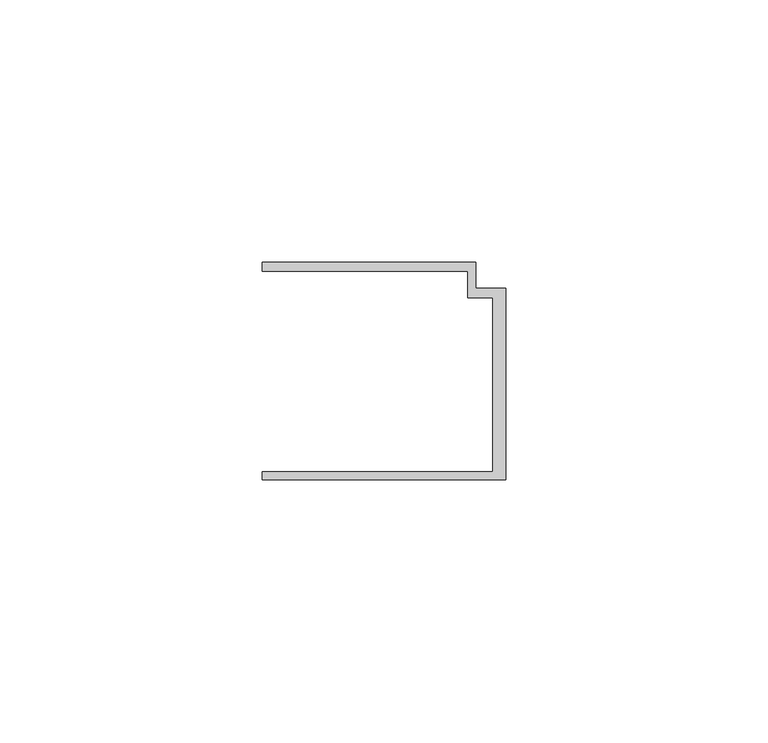
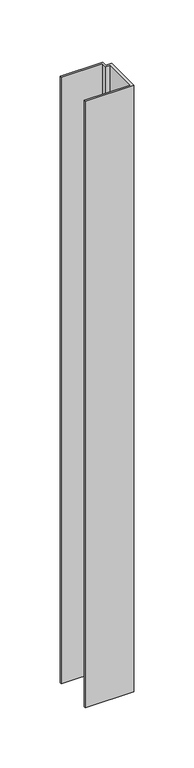
"""IFC4 building model written with IfcOpenShell, lengths in millimetres: member geometry."""

from ifc_helpers import new_model, si_unit, frame, origin, place, context, project, spatial, polyline, outline, extrude, source, transform, mapped, element, save


def member_3064b4f7(model_context):
    return source(origin(), model_context, "Body", "SweptSolid", [
        extrude(outline(polyline([(-46.3, -19.2), (-2.4, -19.2), (-2.4, 14.0), (-7.2, 14.0), (-7.2, 19.0), (-46.3, 19.0), (-46.3, 20.7), (-5.6999992, 20.7), (-5.6999992, 15.8), (0.0, 15.8), (0.0, -20.7), (-46.3, -20.7), (-46.3, -19.2)])), frame((0.0, 0.0, -613.7563621), z_axis=(0.0, 0.0, 1.0), x_axis=(1.0, 0.0, 0.0)), (0.0, 0.0, 1.0), 613.7563621),
    ])


if __name__ == "__main__":
    model = new_model("IFC4")
    model_context = context("Model", 3, world=origin())
    ifc_project = project(units=[si_unit("LENGTHUNIT", "METRE", prefix="MILLI")], contexts=[model_context])
    site = spatial("IfcSite", under=ifc_project)
    building = spatial("IfcBuilding", under=site)
    placement = place(None, origin())
    member_shape = member_3064b4f7(model_context)
    element("IfcMember", 1, at=placement, inside=building, context=model_context, shape_type="MappedRepresentation", body=[
        mapped(member_shape, transform((0.0, 0.0, 0.0), x_axis=(1.0, 0.0, 0.0), y_axis=(0.0, 1.0, 0.0), z_axis=(0.0, 0.0, 1.0))),
    ])
    save(model, "model.ifc")
